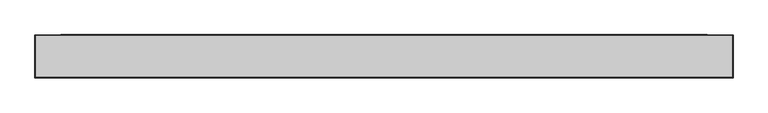
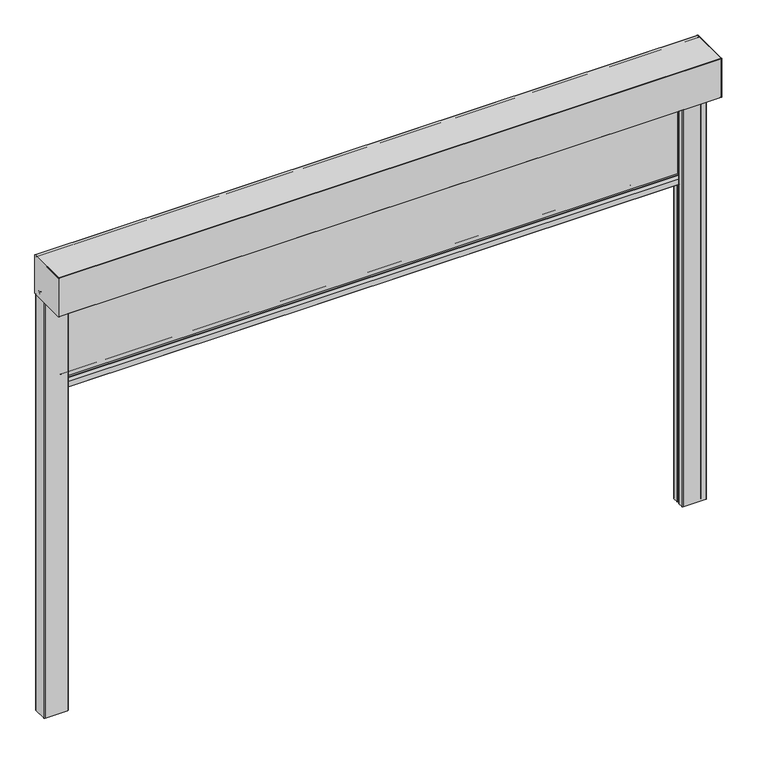
"""IFC4 building model written with IfcOpenShell, lengths in millimetres: alarm geometry."""

from ifc_helpers import new_model, si_unit, point, frame, frame_2d, origin, place, context, project, spatial, polyline, circle_curve, trimmed, segment, composite_curve, outline, extrude, source, transform, mapped, element, save
from ifc_brep_helpers import plane_surface, cylinder_surface, revolved_surface, advanced_brep


def alarm_5d9c8e44(model_context):
    return source(origin(), model_context, "Body", "SolidModel", [
        extrude(outline(composite_curve([segment(polyline([(32.3130377, -455.0), (67.6869623, -455.0)]), True, "CONTINUOUS"), segment(trimmed(circle_curve(frame_2d((67.6869623, -457.0)), 2.0), [point((67.6869623, -455.0))], [point((69.5220736, -456.2047851))], False, "CARTESIAN"), True, "CONTINUOUS"), segment(polyline([(69.5220736, -456.2047851), (75.5, -470.0), (75.5, -498.0)]), True, "CONTINUOUS"), segment(trimmed(circle_curve(frame_2d((73.5, -498.0)), 2.0), [point((75.5, -498.0))], [point((73.5, -500.0))], False, "CARTESIAN"), True, "CONTINUOUS"), segment(polyline([(73.5, -500.0), (26.5, -500.0)]), True, "CONTINUOUS"), segment(trimmed(circle_curve(frame_2d((26.5, -498.0)), 2.0), [point((26.5, -500.0))], [point((24.5, -498.0))], False, "CARTESIAN"), True, "CONTINUOUS"), segment(polyline([(24.5, -498.0), (24.5, -470.0), (30.4779264, -456.2047851)]), True, "CONTINUOUS"), segment(trimmed(circle_curve(frame_2d((32.3130377, -457.0)), 2.0), [point((30.4779264, -456.2047851))], [point((32.3130377, -455.0))], False, "CARTESIAN"), True, "CONTINUOUS")], self_intersect=False)), frame((-1500.0, 0.0, 0.0), z_axis=(1.0, 0.0, 0.0), x_axis=(0.0, 1.0, 0.0)), (0.0, 0.0, 1.0), 3000.0),
        extrude(outline(polyline([(1500.0, 42.5), (-1500.0, 42.5), (-1500.0, 57.5), (1500.0, 57.5), (1500.0, 42.5)])), frame((0.0, 0.0, -455.0), z_axis=(0.0, 0.0, 1.0), x_axis=(1.0, 0.0, 0.0)), (0.0, 0.0, 1.0), 465.0),
        extrude(outline(composite_curve([segment(polyline([(-125.0, 1.0), (-125.0, 199.0)]), True, "CONTINUOUS"), segment(trimmed(circle_curve(frame_2d((-124.0, 199.0)), 1.0), [point((-125.0, 199.0))], [point((-124.0, 200.0))], False, "CARTESIAN"), True, "CONTINUOUS"), segment(polyline([(-124.0, 200.0), (74.0, 200.0)]), True, "CONTINUOUS"), segment(trimmed(circle_curve(frame_2d((74.0, 199.0)), 1.0), [point((74.0, 200.0))], [point((75.0, 199.0))], False, "CARTESIAN"), True, "CONTINUOUS"), segment(polyline([(75.0, 199.0), (75.0, 1.5)]), True, "CONTINUOUS"), segment(trimmed(circle_curve(frame_2d((73.5, 1.5)), 1.5), [point((75.0, 1.5))], [point((73.5, 0.0))], False, "CARTESIAN"), True, "CONTINUOUS"), segment(polyline([(73.5, 0.0), (-124.0, 0.0)]), True, "CONTINUOUS"), segment(trimmed(circle_curve(frame_2d((-124.0, 1.0)), 1.0), [point((-124.0, 0.0))], [point((-125.0, 1.0))], False, "CARTESIAN"), True, "CONTINUOUS")], self_intersect=False)), frame((1620.0, 0.0, 0.0), z_axis=(1.0, 0.0, 0.0), x_axis=(0.0, 1.0, 0.0)), (0.0, 0.0, 1.0), 1.0),
        extrude(outline(composite_curve([segment(polyline([(-125.0, 1.0), (-125.0, 199.0)]), True, "CONTINUOUS"), segment(trimmed(circle_curve(frame_2d((-124.0, 199.0)), 1.0), [point((-125.0, 199.0))], [point((-124.0, 200.0))], False, "CARTESIAN"), True, "CONTINUOUS"), segment(polyline([(-124.0, 200.0), (74.0, 200.0)]), True, "CONTINUOUS"), segment(trimmed(circle_curve(frame_2d((74.0, 199.0)), 1.0), [point((74.0, 200.0))], [point((75.0, 199.0))], False, "CARTESIAN"), True, "CONTINUOUS"), segment(polyline([(75.0, 199.0), (75.0, 1.5)]), True, "CONTINUOUS"), segment(trimmed(circle_curve(frame_2d((73.5, 1.5)), 1.5), [point((75.0, 1.5))], [point((73.5, 0.0))], False, "CARTESIAN"), True, "CONTINUOUS"), segment(polyline([(73.5, 0.0), (-124.0, 0.0)]), True, "CONTINUOUS"), segment(trimmed(circle_curve(frame_2d((-124.0, 1.0)), 1.0), [point((-124.0, 0.0))], [point((-125.0, 1.0))], False, "CARTESIAN"), True, "CONTINUOUS")], self_intersect=False)), frame((-1621.0, 0.0, 0.0), z_axis=(1.0, 0.0, 0.0), x_axis=(0.0, 1.0, 0.0)), (0.0, 0.0, 1.0), 1.0),
        extrude(outline(composite_curve([segment(trimmed(circle_curve(frame_2d((1505.0, 70.0)), 5.0), [point((1500.0, 70.0))], [point((1505.0, 75.0))], False, "CARTESIAN"), True, "CONTINUOUS"), segment(polyline([(1505.0, 75.0), (1615.0, 75.0)]), True, "CONTINUOUS"), segment(trimmed(circle_curve(frame_2d((1615.0, 70.0)), 5.0), [point((1615.0, 75.0))], [point((1620.0, 70.0))], False, "CARTESIAN"), True, "CONTINUOUS"), segment(polyline([(1620.0, 70.0), (1620.0, 4.0)]), True, "CONTINUOUS"), segment(trimmed(circle_curve(frame_2d((1615.0, 4.0)), 5.0), [point((1620.0, 4.0))], [point((1615.0, -1.0))], False, "CARTESIAN"), True, "CONTINUOUS"), segment(polyline([(1615.0, -1.0), (1505.0, -1.0)]), True, "CONTINUOUS"), segment(trimmed(circle_curve(frame_2d((1505.0, 4.0)), 5.0), [point((1505.0, -1.0))], [point((1500.0, 4.0))], False, "CARTESIAN"), True, "CONTINUOUS"), segment(polyline([(1500.0, 4.0), (1500.0, 28.0)]), True, "CONTINUOUS"), segment(trimmed(circle_curve(frame_2d((1504.0, 28.0)), 4.0), [point((1500.0, 28.0))], [point((1504.0, 32.0))], False, "CARTESIAN"), True, "CONTINUOUS"), segment(polyline([(1504.0, 32.0), (1539.0, 32.0)]), True, "CONTINUOUS"), segment(trimmed(circle_curve(frame_2d((1539.0, 28.0)), 4.0), [point((1539.0, 32.0))], [point((1543.0, 28.0))], False, "CARTESIAN"), True, "CONTINUOUS"), segment(polyline([(1543.0, 28.0), (1543.0, 14.0)]), True, "CONTINUOUS"), segment(trimmed(circle_curve(frame_2d((1545.0, 14.0)), 2.0), [point((1543.0, 14.0))], [point((1545.0, 12.0))], True, "CARTESIAN"), True, "CONTINUOUS"), segment(polyline([(1545.0, 12.0), (1596.0, 12.0)]), True, "CONTINUOUS"), segment(trimmed(circle_curve(frame_2d((1596.0, 14.0)), 2.0), [point((1596.0, 12.0))], [point((1598.0, 14.0))], True, "CARTESIAN"), True, "CONTINUOUS"), segment(polyline([(1598.0, 14.0), (1598.0, 40.0)]), True, "CONTINUOUS"), segment(trimmed(circle_curve(frame_2d((1596.0, 40.0)), 2.0), [point((1598.0, 40.0))], [point((1596.0, 42.0))], True, "CARTESIAN"), True, "CONTINUOUS"), segment(polyline([(1596.0, 42.0), (1504.0, 42.0)]), True, "CONTINUOUS"), segment(trimmed(circle_curve(frame_2d((1504.0, 46.0)), 4.0), [point((1504.0, 42.0))], [point((1500.0, 46.0))], False, "CARTESIAN"), True, "CONTINUOUS"), segment(polyline([(1500.0, 46.0), (1500.0, 70.0)]), True, "CONTINUOUS")], self_intersect=False), holes=[composite_curve([segment(polyline([(1539.0, 30.0), (1504.0, 30.0)]), True, "CONTINUOUS"), segment(trimmed(circle_curve(frame_2d((1504.0, 28.0)), 2.0), [point((1504.0, 30.0))], [point((1502.0, 28.0))], True, "CARTESIAN"), True, "CONTINUOUS"), segment(polyline([(1502.0, 28.0), (1502.0, 4.0)]), True, "CONTINUOUS"), segment(trimmed(circle_curve(frame_2d((1505.0, 4.0)), 3.0), [point((1502.0, 4.0))], [point((1505.0, 1.0))], True, "CARTESIAN"), True, "CONTINUOUS"), segment(polyline([(1505.0, 1.0), (1615.0, 1.0)]), True, "CONTINUOUS"), segment(trimmed(circle_curve(frame_2d((1615.0, 4.0)), 3.0), [point((1615.0, 1.0))], [point((1618.0, 4.0))], True, "CARTESIAN"), True, "CONTINUOUS"), segment(polyline([(1618.0, 4.0), (1618.0, 70.0)]), True, "CONTINUOUS"), segment(trimmed(circle_curve(frame_2d((1615.0, 70.0)), 3.0), [point((1618.0, 70.0))], [point((1615.0, 73.0))], True, "CARTESIAN"), True, "CONTINUOUS"), segment(polyline([(1615.0, 73.0), (1505.0, 73.0)]), True, "CONTINUOUS"), segment(trimmed(circle_curve(frame_2d((1505.0, 70.0)), 3.0), [point((1505.0, 73.0))], [point((1502.0, 70.0))], True, "CARTESIAN"), True, "CONTINUOUS"), segment(polyline([(1502.0, 70.0), (1502.0, 46.0)]), True, "CONTINUOUS"), segment(trimmed(circle_curve(frame_2d((1504.0, 46.0)), 2.0), [point((1502.0, 46.0))], [point((1504.0, 44.0))], True, "CARTESIAN"), True, "CONTINUOUS"), segment(polyline([(1504.0, 44.0), (1596.0, 44.0)]), True, "CONTINUOUS"), segment(trimmed(circle_curve(frame_2d((1596.0, 40.0)), 4.0), [point((1596.0, 44.0))], [point((1600.0, 40.0))], False, "CARTESIAN"), True, "CONTINUOUS"), segment(polyline([(1600.0, 40.0), (1600.0, 14.0)]), True, "CONTINUOUS"), segment(trimmed(circle_curve(frame_2d((1596.0, 14.0)), 4.0), [point((1600.0, 14.0))], [point((1596.0, 10.0))], False, "CARTESIAN"), True, "CONTINUOUS"), segment(polyline([(1596.0, 10.0), (1545.0, 10.0)]), True, "CONTINUOUS"), segment(trimmed(circle_curve(frame_2d((1545.0, 14.0)), 4.0), [point((1545.0, 10.0))], [point((1541.0, 14.0))], False, "CARTESIAN"), True, "CONTINUOUS"), segment(polyline([(1541.0, 14.0), (1541.0, 28.0)]), True, "CONTINUOUS"), segment(trimmed(circle_curve(frame_2d((1539.0, 28.0)), 2.0), [point((1541.0, 28.0))], [point((1539.0, 30.0))], True, "CARTESIAN"), True, "CONTINUOUS")], self_intersect=False)]), frame((0.0, 0.0, -2150.0), z_axis=(0.0, 0.0, 1.0), x_axis=(1.0, 0.0, 0.0)), (0.0, 0.0, 1.0), 2150.0),
        extrude(outline(composite_curve([segment(trimmed(circle_curve(frame_2d((-1505.0, 4.0)), 5.0), [point((-1500.0, 4.0))], [point((-1505.0, -1.0))], False, "CARTESIAN"), True, "CONTINUOUS"), segment(polyline([(-1505.0, -1.0), (-1615.0, -1.0)]), True, "CONTINUOUS"), segment(trimmed(circle_curve(frame_2d((-1615.0, 4.0)), 5.0), [point((-1615.0, -1.0))], [point((-1620.0, 4.0))], False, "CARTESIAN"), True, "CONTINUOUS"), segment(polyline([(-1620.0, 4.0), (-1620.0, 70.0)]), True, "CONTINUOUS"), segment(trimmed(circle_curve(frame_2d((-1615.0, 70.0)), 5.0), [point((-1620.0, 70.0))], [point((-1615.0, 75.0))], False, "CARTESIAN"), True, "CONTINUOUS"), segment(polyline([(-1615.0, 75.0), (-1505.0, 75.0)]), True, "CONTINUOUS"), segment(trimmed(circle_curve(frame_2d((-1505.0, 70.0)), 5.0), [point((-1505.0, 75.0))], [point((-1500.0, 70.0))], False, "CARTESIAN"), True, "CONTINUOUS"), segment(polyline([(-1500.0, 70.0), (-1500.0, 46.0)]), True, "CONTINUOUS"), segment(trimmed(circle_curve(frame_2d((-1504.0, 46.0)), 4.0), [point((-1500.0, 46.0))], [point((-1504.0, 42.0))], False, "CARTESIAN"), True, "CONTINUOUS"), segment(polyline([(-1504.0, 42.0), (-1596.0, 42.0)]), True, "CONTINUOUS"), segment(trimmed(circle_curve(frame_2d((-1596.0, 40.0)), 2.0), [point((-1596.0, 42.0))], [point((-1598.0, 40.0))], True, "CARTESIAN"), True, "CONTINUOUS"), segment(polyline([(-1598.0, 40.0), (-1598.0, 14.0)]), True, "CONTINUOUS"), segment(trimmed(circle_curve(frame_2d((-1596.0, 14.0)), 2.0), [point((-1598.0, 14.0))], [point((-1596.0, 12.0))], True, "CARTESIAN"), True, "CONTINUOUS"), segment(polyline([(-1596.0, 12.0), (-1545.0, 12.0)]), True, "CONTINUOUS"), segment(trimmed(circle_curve(frame_2d((-1545.0, 14.0)), 2.0), [point((-1545.0, 12.0))], [point((-1543.0, 14.0))], True, "CARTESIAN"), True, "CONTINUOUS"), segment(polyline([(-1543.0, 14.0), (-1543.0, 28.0)]), True, "CONTINUOUS"), segment(trimmed(circle_curve(frame_2d((-1539.0, 28.0)), 4.0), [point((-1543.0, 28.0))], [point((-1539.0, 32.0))], False, "CARTESIAN"), True, "CONTINUOUS"), segment(polyline([(-1539.0, 32.0), (-1504.0, 32.0)]), True, "CONTINUOUS"), segment(trimmed(circle_curve(frame_2d((-1504.0, 28.0)), 4.0), [point((-1504.0, 32.0))], [point((-1500.0, 28.0))], False, "CARTESIAN"), True, "CONTINUOUS"), segment(polyline([(-1500.0, 28.0), (-1500.0, 4.0)]), True, "CONTINUOUS")], self_intersect=False), holes=[composite_curve([segment(trimmed(circle_curve(frame_2d((-1504.0, 28.0)), 2.0), [point((-1502.0, 28.0))], [point((-1504.0, 30.0))], True, "CARTESIAN"), True, "CONTINUOUS"), segment(polyline([(-1504.0, 30.0), (-1539.0, 30.0)]), True, "CONTINUOUS"), segment(trimmed(circle_curve(frame_2d((-1539.0, 28.0)), 2.0), [point((-1539.0, 30.0))], [point((-1541.0, 28.0))], True, "CARTESIAN"), True, "CONTINUOUS"), segment(polyline([(-1541.0, 28.0), (-1541.0, 14.0)]), True, "CONTINUOUS"), segment(trimmed(circle_curve(frame_2d((-1545.0, 14.0)), 4.0), [point((-1541.0, 14.0))], [point((-1545.0, 10.0))], False, "CARTESIAN"), True, "CONTINUOUS"), segment(polyline([(-1545.0, 10.0), (-1596.0, 10.0)]), True, "CONTINUOUS"), segment(trimmed(circle_curve(frame_2d((-1596.0, 14.0)), 4.0), [point((-1596.0, 10.0))], [point((-1600.0, 14.0))], False, "CARTESIAN"), True, "CONTINUOUS"), segment(polyline([(-1600.0, 14.0), (-1600.0, 40.0)]), True, "CONTINUOUS"), segment(trimmed(circle_curve(frame_2d((-1596.0, 40.0)), 4.0), [point((-1600.0, 40.0))], [point((-1596.0, 44.0))], False, "CARTESIAN"), True, "CONTINUOUS"), segment(polyline([(-1596.0, 44.0), (-1504.0, 44.0)]), True, "CONTINUOUS"), segment(trimmed(circle_curve(frame_2d((-1504.0, 46.0)), 2.0), [point((-1504.0, 44.0))], [point((-1502.0, 46.0))], True, "CARTESIAN"), True, "CONTINUOUS"), segment(polyline([(-1502.0, 46.0), (-1502.0, 70.0)]), True, "CONTINUOUS"), segment(trimmed(circle_curve(frame_2d((-1505.0, 70.0)), 3.0), [point((-1502.0, 70.0))], [point((-1505.0, 73.0))], True, "CARTESIAN"), True, "CONTINUOUS"), segment(polyline([(-1505.0, 73.0), (-1615.0, 73.0)]), True, "CONTINUOUS"), segment(trimmed(circle_curve(frame_2d((-1615.0, 70.0)), 3.0), [point((-1615.0, 73.0))], [point((-1618.0, 70.0))], True, "CARTESIAN"), True, "CONTINUOUS"), segment(polyline([(-1618.0, 70.0), (-1618.0, 4.0)]), True, "CONTINUOUS"), segment(trimmed(circle_curve(frame_2d((-1615.0, 4.0)), 3.0), [point((-1618.0, 4.0))], [point((-1615.0, 1.0))], True, "CARTESIAN"), True, "CONTINUOUS"), segment(polyline([(-1615.0, 1.0), (-1505.0, 1.0)]), True, "CONTINUOUS"), segment(trimmed(circle_curve(frame_2d((-1505.0, 4.0)), 3.0), [point((-1505.0, 1.0))], [point((-1502.0, 4.0))], True, "CARTESIAN"), True, "CONTINUOUS"), segment(polyline([(-1502.0, 4.0), (-1502.0, 28.0)]), True, "CONTINUOUS")], self_intersect=False)]), frame((0.0, 0.0, -2150.0), z_axis=(0.0, 0.0, 1.0), x_axis=(1.0, 0.0, 0.0)), (0.0, 0.0, 1.0), 2150.0),
        advanced_brep(
        [(1620.0, 74.0, 200.0), (1620.0, -124.0, 200.0), (1620.0, -125.0, 199.0), (1620.0, -125.0, 1.0), (1620.0, -124.0, 0.0), (1620.0, 16.904949, 0.0), (1620.0, 19.2161509, 1.2344139), (1620.0, 43.6190015, 34.8222745), (1620.0, 42.0009577, 37.99784), (1620.0, 30.5009577, 37.9978045), (1620.0, 30.6317006, 35.0035128), (1620.0, 37.1126506, 35.5705426), (1620.0, 37.0254918, 36.5667371), (1620.0, 30.5445418, 35.9997072), (1620.0, 30.5009608, 36.9978045), (1620.0, 42.0049635, 36.99784), (1620.0, 42.8139885, 35.4100616), (1620.0, 20.7184124, 4.9975685), (1620.0, -118.4990953, 4.9975685), (1620.0, -118.4990953, 190.0001942), (1620.0, -114.4991113, 194.0001783), (1620.0, 64.4999422, 194.0001783), (1620.0, 68.5003406, 189.9997799), (1620.0, 68.5003406, 32.9978598), (1620.0, 71.0003714, 32.9978598), (1620.0, 71.0003714, 19.9978095), (1620.0, 74.0003573, 19.9978095), (1620.0, 74.0003573, 1.3255837), (1620.0, 73.0249422, 1.1710911), (1620.0, 63.1362847, 31.6048165), (1620.0, 62.1852498, 31.2958032), (1620.0, 72.0225757, 1.0199506), (1620.0, 75.0, 1.5), (1620.0, 75.0, 199.0), (-1620.0, 74.0, 200.0), (-1620.0, 75.0, 199.0), (-1620.0, 75.0, 1.5), (-1620.0, 72.0734167, 1.03647), (-1620.0, 62.1852498, 31.2958032), (-1620.0, 63.1362847, 31.6048165), (-1620.0, 73.0249422, 1.1710911), (-1620.0, 74.0003573, 1.3255837), (-1620.0, 74.0003573, 19.9978095), (-1620.0, 71.0003714, 19.9978095), (-1620.0, 71.0003714, 32.9978598), (-1620.0, 68.5003406, 32.9978598), (-1620.0, 68.5003406, 189.9997799), (-1620.0, 64.4999422, 194.0001783), (-1620.0, -114.4991113, 194.0001783), (-1620.0, -118.4990953, 190.0001942), (-1620.0, -118.4990953, 4.9975685), (-1620.0, 20.7184124, 4.9975685), (-1620.0, 42.8139885, 35.4100616), (-1620.0, 42.0049635, 36.99784), (-1620.0, 30.5009608, 36.9978045), (-1620.0, 30.5445418, 35.9997072), (-1620.0, 37.0254918, 36.5667371), (-1620.0, 37.1126506, 35.5705426), (-1620.0, 30.6317006, 35.0035128), (-1620.0, 30.5009577, 37.9978045), (-1620.0, 42.0009577, 37.99784), (-1620.0, 43.6190015, 34.8222745), (-1620.0, 19.2161509, 1.2344139), (-1620.0, 16.904949, 0.0), (-1620.0, -124.0, 0.0), (-1620.0, -125.0, 1.0), (-1620.0, -125.0, 199.0), (-1620.0, -124.0, 200.0)],
        [
            (0, 1),
            (1, 2, circle_curve(frame((1620.0, -124.0, 199.0), z_axis=(1.0, 0.0, 0.0), x_axis=(0.0, 1.0, 0.0)), 1.0)),
            (2, 3),
            (3, 4, circle_curve(frame((1620.0, -124.0, 1.0), z_axis=(1.0, 0.0, 0.0), x_axis=(0.0, 1.0, 0.0)), 1.0)),
            (4, 5),
            (5, 6, circle_curve(frame((1620.0, 16.7890944, 2.9977621), z_axis=(1.0, 0.0, 0.0), x_axis=(0.0, 1.0, 0.0)), 3.0)),
            (6, 7),
            (7, 8, circle_curve(frame((1620.0, 42.0009639, 35.99784), z_axis=(1.0, 0.0, 0.0), x_axis=(0.0, 1.0, 0.0)), 2.0)),
            (8, 9),
            (9, 10, circle_curve(frame((1620.0, 30.5009624, 36.4978045), z_axis=(1.0, 0.0, 0.0), x_axis=(0.0, 1.0, 0.0)), 1.5)),
            (10, 11),
            (11, 12),
            (12, 13),
            (13, 14, circle_curve(frame((1620.0, 30.5009624, 36.4978045), z_axis=(-1.0, 0.0, 0.0), x_axis=(0.0, 1.0, 0.0)), 0.5)),
            (14, 15),
            (15, 16, circle_curve(frame((1620.0, 42.0049665, 35.99784), z_axis=(-1.0, 0.0, 0.0), x_axis=(0.0, 1.0, 0.0)), 1.0)),
            (16, 17),
            (17, 18),
            (18, 19),
            (19, 20, circle_curve(frame((1620.0, -114.4991113, 190.0001942), z_axis=(-1.0, 0.0, 0.0), x_axis=(0.0, 1.0, 0.0)), 3.9999841)),
            (20, 21),
            (21, 22, circle_curve(frame((1620.0, 64.4999422, 189.9997799), z_axis=(-1.0, 0.0, 0.0), x_axis=(0.0, 1.0, 0.0)), 4.0003984)),
            (22, 23),
            (23, 24),
            (24, 25),
            (25, 26),
            (26, 27),
            (27, 28, circle_curve(frame((1620.0, 73.500415, 1.3255837), z_axis=(-1.0, 0.0, 0.0), x_axis=(0.0, 1.0, 0.0)), 0.4999423)),
            (28, 29),
            (29, 30),
            (30, 31),
            (31, 32, circle_curve(frame((1620.0, 73.5, 1.5), z_axis=(1.0, 0.0, 0.0), x_axis=(0.0, 1.0, 0.0)), 1.5)),
            (32, 33),
            (33, 0, circle_curve(frame((1620.0, 74.0, 199.0), z_axis=(1.0, 0.0, 0.0), x_axis=(0.0, 1.0, 0.0)), 1.0)),
            (34, 35, circle_curve(frame((-1620.0, 74.0, 199.0), z_axis=(-1.0, 0.0, 0.0), x_axis=(0.0, 1.0, 0.0)), 1.0)),
            (35, 36),
            (36, 37, circle_curve(frame((-1620.0, 73.5, 1.5), z_axis=(-1.0, 0.0, 0.0), x_axis=(0.0, 1.0, 0.0)), 1.5)),
            (37, 38),
            (38, 39),
            (39, 40),
            (40, 41, circle_curve(frame((-1620.0, 73.500415, 1.3255837), z_axis=(1.0, 0.0, 0.0), x_axis=(0.0, 1.0, 0.0)), 0.4999423)),
            (41, 42),
            (42, 43),
            (43, 44),
            (44, 45),
            (45, 46),
            (46, 47, circle_curve(frame((-1620.0, 64.4999422, 189.9997799), z_axis=(1.0, 0.0, 0.0), x_axis=(0.0, 1.0, 0.0)), 4.0003984)),
            (47, 48),
            (48, 49, circle_curve(frame((-1620.0, -114.4991113, 190.0001942), z_axis=(1.0, 0.0, 0.0), x_axis=(0.0, 1.0, 0.0)), 3.9999841)),
            (49, 50),
            (50, 51),
            (51, 52),
            (52, 53, circle_curve(frame((-1620.0, 42.0049665, 35.99784), z_axis=(1.0, 0.0, 0.0), x_axis=(0.0, 1.0, 0.0)), 1.0)),
            (53, 54),
            (54, 55, circle_curve(frame((-1620.0, 30.5009624, 36.4978045), z_axis=(1.0, 0.0, 0.0), x_axis=(0.0, 1.0, 0.0)), 0.5)),
            (55, 56),
            (56, 57),
            (57, 58),
            (58, 59, circle_curve(frame((-1620.0, 30.5009624, 36.4978045), z_axis=(-1.0, 0.0, 0.0), x_axis=(0.0, 1.0, 0.0)), 1.5)),
            (59, 60),
            (60, 61, circle_curve(frame((-1620.0, 42.0009639, 35.99784), z_axis=(-1.0, 0.0, 0.0), x_axis=(0.0, 1.0, 0.0)), 2.0)),
            (61, 62),
            (62, 63, circle_curve(frame((-1620.0, 16.7890944, 2.9977621), z_axis=(-1.0, 0.0, 0.0), x_axis=(0.0, 1.0, 0.0)), 3.0)),
            (63, 64),
            (64, 65, circle_curve(frame((-1620.0, -124.0, 1.0), z_axis=(-1.0, 0.0, 0.0), x_axis=(0.0, 1.0, 0.0)), 1.0)),
            (65, 66),
            (66, 67, circle_curve(frame((-1620.0, -124.0, 199.0), z_axis=(-1.0, 0.0, 0.0), x_axis=(0.0, 1.0, 0.0)), 1.0)),
            (67, 34),
            (0, 34),
            (67, 1),
            (66, 2),
            (65, 3),
            (64, 4),
            (63, 5),
            (62, 6),
            (61, 7),
            (60, 8),
            (59, 9),
            (58, 10),
            (57, 11),
            (56, 12),
            (55, 13),
            (54, 14),
            (53, 15),
            (52, 16),
            (51, 17),
            (50, 18),
            (49, 19),
            (48, 20),
            (47, 21),
            (46, 22),
            (45, 23),
            (44, 24),
            (43, 25),
            (42, 26),
            (41, 27),
            (40, 28),
            (39, 29),
            (38, 30),
            (37, 31),
            (36, 32),
            (35, 33),
        ],
        [
            plane_surface(frame((1620.0, -124.0, 200.0), z_axis=(1.0, 0.0, 0.0), x_axis=(0.0, -1.0, 0.0))),
            plane_surface(frame((-1620.0, -124.0, 200.0), z_axis=(-1.0, 0.0, 0.0), x_axis=(0.0, 1.0, 0.0))),
            plane_surface(frame((1620.0, 74.0, 200.0), z_axis=(0.0, 0.0, 1.0), x_axis=(-1.0, 0.0, 0.0))),
            cylinder_surface(frame((-1620.0, -124.0, 199.0), z_axis=(1.0, 0.0, 0.0), x_axis=(0.0, 1.0, 0.0)), 1.0),
            plane_surface(frame((1620.0, -125.0, 199.0), z_axis=(0.0, -1.0, 0.0), x_axis=(-1.0, 0.0, 0.0))),
            cylinder_surface(frame((-1620.0, -124.0, 1.0), z_axis=(1.0, 0.0, 0.0), x_axis=(0.0, 1.0, 0.0)), 1.0),
            plane_surface(frame((1620.0, -124.0, 0.0), z_axis=(0.0, 0.0, -1.0), x_axis=(-1.0, 0.0, 0.0))),
            cylinder_surface(frame((-1620.0, 16.7890944, 2.9977621), z_axis=(1.0, 0.0, 0.0), x_axis=(0.0, 1.0, 0.0)), 3.0),
            plane_surface(frame((1620.0, 19.2161509, 1.2344139), z_axis=(0.0, 0.8090188094303566, -0.5877827540749119), x_axis=(-1.0, 0.0, 0.0))),
            cylinder_surface(frame((-1620.0, 42.0009639, 35.99784), z_axis=(1.0, 0.0, 0.0), x_axis=(0.0, 1.0, 0.0)), 2.0),
            plane_surface(frame((1620.0, 42.0009577, 37.99784), z_axis=(0.0, -3.088237830317778e-06, 0.9999999999952314), x_axis=(-1.0, 0.0, 0.0))),
            cylinder_surface(frame((-1620.0, 30.5009624, 36.4978045), z_axis=(1.0, 0.0, 0.0), x_axis=(0.0, 1.0, 0.0)), 1.5),
            plane_surface(frame((1620.0, 30.6317006, 35.0035128), z_axis=(0.0, 0.08715881901511315, -0.9961944289484311), x_axis=(-1.0, 0.0, 0.0))),
            plane_surface(frame((1620.0, 37.1126506, 35.5705426), z_axis=(0.0, 0.9961944289489405, 0.08715881900929093), x_axis=(-1.0, 0.0, 0.0))),
            plane_surface(frame((1620.0, 37.0254918, 36.5667371), z_axis=(0.0, -0.08715881902170787, 0.9961944289478541), x_axis=(-1.0, 0.0, 0.0))),
            revolved_surface(polyline([(-1620.0, 31.0009624, 36.4978045), (1620.0, 31.0009624, 36.4978045)]), (-1620.0, 30.5009624, 36.4978045), (-1.0, 0.0, 0.0)),
            plane_surface(frame((1620.0, 30.5009608, 36.9978045), z_axis=(0.0, 3.087235492413244e-06, -0.9999999999952345), x_axis=(-1.0, 0.0, 0.0))),
            revolved_surface(polyline([(-1620.0, 43.0049665, 35.99784), (1620.0, 43.0049665, 35.99784)]), (-1620.0, 42.0049665, 35.99784), (-1.0, 0.0, 0.0)),
            plane_surface(frame((1620.0, 42.8139885, 35.4100616), z_axis=(0.0, -0.8090219718393253, 0.5877784013394928), x_axis=(-1.0, 0.0, 0.0))),
            plane_surface(frame((1620.0, 20.7184124, 4.9975685), z_axis=(0.0, 0.0, 1.0), x_axis=(-1.0, 0.0, 0.0))),
            plane_surface(frame((1620.0, -118.4990953, 4.9975685), z_axis=(0.0, 1.0, 0.0), x_axis=(-1.0, 0.0, 0.0))),
            revolved_surface(polyline([(-1620.0, -110.49912719999999, 190.0001942), (1620.0, -110.49912719999999, 190.0001942)]), (-1620.0, -114.4991113, 190.0001942), (-1.0, 0.0, 0.0)),
            plane_surface(frame((1620.0, -114.4991113, 194.0001783), z_axis=(0.0, 0.0, -1.0), x_axis=(-1.0, 0.0, 0.0))),
            revolved_surface(polyline([(-1620.0, 68.5003406, 189.9997799), (1620.0, 68.5003406, 189.9997799)]), (-1620.0, 64.4999422, 189.9997799), (-1.0, 0.0, 0.0)),
            plane_surface(frame((1620.0, 68.5003406, 189.9997799), z_axis=(0.0, -1.0, 0.0), x_axis=(-1.0, 0.0, 0.0))),
            plane_surface(frame((1620.0, 68.5003406, 32.9978598), z_axis=(0.0, 0.0, -1.0), x_axis=(-1.0, 0.0, 0.0))),
            plane_surface(frame((1620.0, 71.0003714, 32.9978598), z_axis=(0.0, -1.0, 0.0), x_axis=(-1.0, 0.0, 0.0))),
            plane_surface(frame((1620.0, 71.0003714, 19.9978095), z_axis=(0.0, 0.0, -1.0), x_axis=(-1.0, 0.0, 0.0))),
            plane_surface(frame((1620.0, 74.0003573, 19.9978095), z_axis=(0.0, -1.0, -1.2844647031399892e-12), x_axis=(-1.0, 0.0, 0.0))),
            revolved_surface(polyline([(-1620.0, 74.0003573, 1.3255837), (1620.0, 74.0003573, 1.3255837)]), (-1620.0, 73.500415, 1.3255837), (-1.0, 0.0, 0.0)),
            plane_surface(frame((1620.0, 73.0249422, 1.1710911), z_axis=(0.0, 0.9510552244543146, 0.3090209702239532), x_axis=(-1.0, 0.0, 0.0))),
            plane_surface(frame((1620.0, 63.1362847, 31.6048165), z_axis=(0.0, -0.3090199811024944, 0.9510555458433614), x_axis=(-1.0, 0.0, 0.0))),
            plane_surface(frame((1620.0, 62.1852498, 31.2958032), z_axis=(0.0, -0.9510555458434065, -0.3090199811023557), x_axis=(-1.0, 0.0, 0.0))),
            cylinder_surface(frame((-1620.0, 73.5, 1.5), z_axis=(1.0, 0.0, 0.0), x_axis=(0.0, 1.0, 0.0)), 1.5),
            plane_surface(frame((1620.0, 75.0, 1.5), z_axis=(0.0, 1.0, 0.0), x_axis=(-1.0, 0.0, 0.0))),
            cylinder_surface(frame((-1620.0, 74.0, 199.0), z_axis=(1.0, 0.0, 0.0), x_axis=(0.0, 1.0, 0.0)), 1.0),
        ],
        [
            (0, [[1, 2, 3, 4, 5, 6, 7, 8, 9, 10, 11, 12, 13, 14, 15, 16, 17, 18, 19, 20, 21, 22, 23, 24, 25, 26, 27, 28, 29, 30, 31, 32, 33, 34]]),
            (1, [[35, 36, 37, 38, 39, 40, 41, 42, 43, 44, 45, 46, 47, 48, 49, 50, 51, 52, 53, 54, 55, 56, 57, 58, 59, 60, 61, 62, 63, 64, 65, 66, 67, 68]]),
            (2, [[-1, 69, -68, 70]]),
            (3, [[-2, -70, -67, 71]]),
            (4, [[-3, -71, -66, 72]]),
            (5, [[-4, -72, -65, 73]]),
            (6, [[-5, -73, -64, 74]]),
            (7, [[-6, -74, -63, 75]]),
            (8, [[-7, -75, -62, 76]]),
            (9, [[-8, -76, -61, 77]]),
            (10, [[-9, -77, -60, 78]]),
            (11, [[-10, -78, -59, 79]]),
            (12, [[-11, -79, -58, 80]]),
            (13, [[-12, -80, -57, 81]]),
            (14, [[-13, -81, -56, 82]]),
            (15, [[-14, -82, -55, 83]]),
            (16, [[-15, -83, -54, 84]]),
            (17, [[-16, -84, -53, 85]]),
            (18, [[-17, -85, -52, 86]]),
            (19, [[-18, -86, -51, 87]]),
            (20, [[-19, -87, -50, 88]]),
            (21, [[-20, -88, -49, 89]]),
            (22, [[-21, -89, -48, 90]]),
            (23, [[-22, -90, -47, 91]]),
            (24, [[-23, -91, -46, 92]]),
            (25, [[-24, -92, -45, 93]]),
            (26, [[-25, -93, -44, 94]]),
            (27, [[-26, -94, -43, 95]]),
            (28, [[-27, -95, -42, 96]]),
            (29, [[-28, -96, -41, 97]]),
            (30, [[-29, -97, -40, 98]]),
            (31, [[-30, -98, -39, 99]]),
            (32, [[-31, -99, -38, 100]]),
            (33, [[-32, -100, -37, 101]]),
            (34, [[-33, -101, -36, 102]]),
            (35, [[-34, -102, -35, -69]]),
        ],
    ),
    ])


if __name__ == "__main__":
    model = new_model("IFC4")
    model_context = context("Model", 3, world=origin())
    ifc_project = project(units=[si_unit("LENGTHUNIT", "METRE", prefix="MILLI")], contexts=[model_context])
    site = spatial("IfcSite", under=ifc_project)
    building = spatial("IfcBuilding", under=site)
    placement = place(None, origin())
    alarm_shape = alarm_5d9c8e44(model_context)
    element("IfcAlarm", 1, at=placement, inside=building, context=model_context, shape_type="MappedRepresentation", body=[
        mapped(alarm_shape, transform((0.0, 0.0, 0.0), x_axis=(1.0, 0.0, 0.0), y_axis=(0.0, 1.0, 0.0), z_axis=(0.0, 0.0, 1.0))),
    ])
    save(model, "model.ifc")
